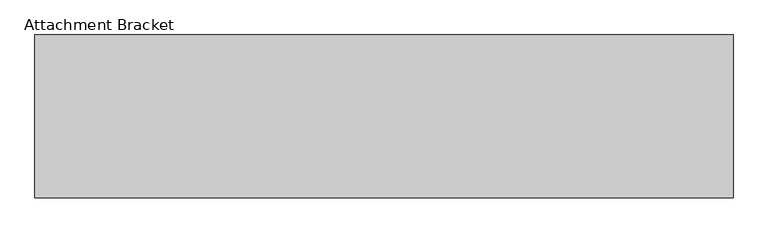
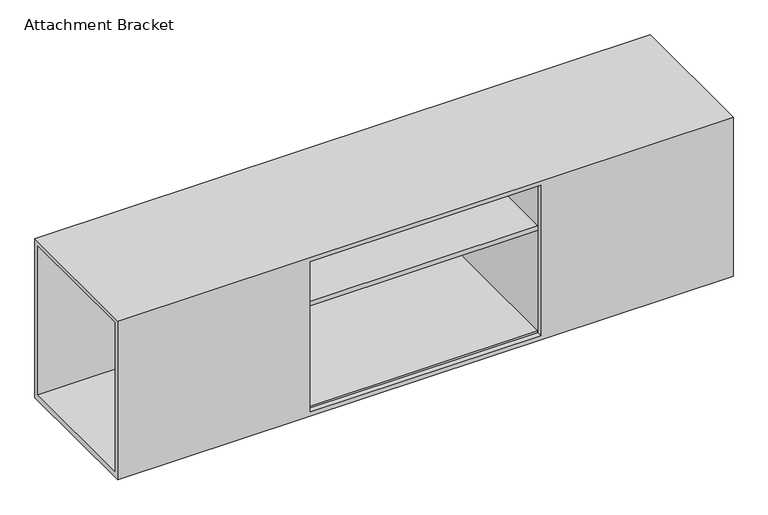
"""IFC4 building model written with IfcOpenShell, lengths in millimetres: furniture geometry, Attachment Bracket."""

from ifc_helpers import new_model, si_unit, frame, origin, place, context, project, spatial, polyline, circle_curve, outline, extrude, source, transform, mapped, element, save
from ifc_brep_helpers import plane_surface, revolved_surface, advanced_brep


def attachment_bracket_e48f39cd(model_context):
    return source(origin(), model_context, "Body", "SolidModel", [
        extrude(outline(polyline([(476.3715042, -13.081), (1047.75, -13.081), (1047.75, -340.1059845), (476.3715042, -340.1059845), (476.3715042, -13.081)])), frame((0.0, 0.0, 585.109162), z_axis=(0.0, 0.0, 1.0), x_axis=(1.0, 0.0, 0.0)), (0.0, 0.0, 1.0), 11.4807673),
        extrude(outline(polyline([(476.3715042, -13.081), (476.3715042, -340.1059845), (452.5217972, -340.1059845), (452.5217972, -13.081), (476.3715042, -13.081)])), frame((0.0, 0.0, 317.5), z_axis=(0.0, 0.0, 1.0), x_axis=(1.0, 0.0, 0.0)), (0.0, 0.0, 1.0), 393.3189671),
        extrude(outline(polyline([(1071.599707, -13.081), (1071.599707, -340.1059845), (1047.75, -340.1059845), (1047.75, -13.081), (1071.599707, -13.081)])), frame((0.0, 0.0, 317.5), z_axis=(0.0, 0.0, 1.0), x_axis=(1.0, 0.0, 0.0)), (0.0, 0.0, 1.0), 393.3189671),
        advanced_brep(
        [(1524.0, 2.4129826, 722.3860662), (0.0, 2.4129826, 722.3860662), (0.0, -353.1870174, 722.3860662), (1524.0, -353.1870174, 722.3860662), (1524.0, 2.4129826, 306.4508803), (1524.0, -353.1870174, 306.4508803), (0.0, -353.1870174, 306.4508803), (0.0, 2.4129826, 306.4508803), (782.4459185, 2.4129826, 647.2628104), (741.6414208, 2.4129826, 647.2628104), (0.0, -340.1059845, 710.8189671), (0.0, -340.1059845, 321.552397), (0.0, -10.7950174, 321.552397), (0.0, -10.7950174, 710.8189671), (476.3715042, -353.1870174, 710.8189671), (1047.75, -353.1870174, 710.8189671), (1047.75, -353.1870174, 317.5), (476.3715042, -353.1870174, 317.5), (1524.0, -340.1059845, 321.552397), (1524.0, -340.1059845, 710.8189671), (1524.0, -10.7950174, 710.8189671), (1524.0, -10.7950174, 321.552397), (476.3715042, -340.1059845, 317.5), (1047.75, -340.1059845, 317.5), (1047.75, -340.1059845, 321.552397), (476.3715042, -340.1059845, 321.552397), (476.3715042, -340.1059845, 710.8189671), (1047.75, -340.1059845, 710.8189671), (782.4459185, -10.7950174, 647.2628104), (741.6414208, -10.7950174, 647.2628104)],
        [
            (0, 1),
            (1, 2),
            (2, 3),
            (3, 0),
            (4, 5),
            (5, 6),
            (6, 7),
            (7, 4),
            (0, 4),
            (7, 1),
            (8, 9, circle_curve(frame((762.0436697, 2.4129826, 647.2628104), z_axis=(0.0, -1.0, 0.0), x_axis=(-1.0, 0.0, 0.0)), 20.4022489)),
            (9, 8, circle_curve(frame((762.0436697, 2.4129826, 647.2628104), z_axis=(0.0, -1.0, 0.0), x_axis=(-1.0, 0.0, 0.0)), 20.4022489)),
            (6, 2),
            (10, 11),
            (11, 12),
            (12, 13),
            (13, 10),
            (5, 3),
            (14, 15),
            (15, 16),
            (16, 17),
            (17, 14),
            (18, 19),
            (19, 20),
            (20, 21),
            (21, 18),
            (22, 23),
            (23, 24),
            (24, 25),
            (25, 22),
            (14, 26),
            (26, 10),
            (13, 20),
            (19, 27),
            (27, 15),
            (17, 22),
            (25, 26),
            (16, 23),
            (27, 24),
            (8, 28),
            (28, 29, circle_curve(frame((762.0436697, -10.7950174, 647.2628104), z_axis=(0.0, -1.0, 0.0), x_axis=(-1.0, 0.0, 0.0)), 20.4022489)),
            (29, 9),
            (29, 28, circle_curve(frame((762.0436697, -10.7950174, 647.2628104), z_axis=(0.0, -1.0, 0.0), x_axis=(-1.0, 0.0, 0.0)), 20.4022489)),
            (25, 11),
            (18, 24),
            (21, 12),
        ],
        [
            plane_surface(frame((0.0, 2.4129826, 722.3860662), z_axis=(0.0, 0.0, 1.0), x_axis=(-1.0, 0.0, 0.0))),
            plane_surface(frame((0.0, 2.4129826, 306.4508803), z_axis=(0.0, 0.0, -1.0), x_axis=(1.0, 0.0, 0.0))),
            plane_surface(frame((1524.0, 2.4129826, 722.3860662), z_axis=(0.0, 1.0, 0.0), x_axis=(0.0, 0.0, -1.0))),
            plane_surface(frame((0.0, 2.4129826, 722.3860662), z_axis=(-1.0, 0.0, 0.0), x_axis=(0.0, 0.0, -1.0))),
            plane_surface(frame((0.0, -353.1870174, 722.3860662), z_axis=(0.0, -1.0, 0.0), x_axis=(0.0, 0.0, -1.0))),
            plane_surface(frame((1524.0, -353.1870174, 722.3860662), z_axis=(1.0, 0.0, 0.0), x_axis=(0.0, 0.0, -1.0))),
            plane_surface(frame((481.9650036, -340.1059845, 710.8189671), z_axis=(0.0, -1.0, 0.0), x_axis=(1.0, 0.0, 0.0))),
            plane_surface(frame((1047.75, -353.1870174, 710.8189671), z_axis=(0.0, 0.0, -1.0), x_axis=(0.0, 1.0, 0.0))),
            plane_surface(frame((476.3715042, -353.1870174, 710.8189671), z_axis=(1.0, 0.0, 0.0), x_axis=(0.0, 1.0, 0.0))),
            plane_surface(frame((476.3715042, -353.1870174, 317.5), z_axis=(0.0, 0.0, 1.0), x_axis=(0.0, 1.0, 0.0))),
            plane_surface(frame((1047.75, -353.1870174, 317.5), z_axis=(-1.0, 0.0, 0.0), x_axis=(0.0, 1.0, 0.0))),
            revolved_surface(polyline([(741.6414208, -10.7950174, 647.2628104), (741.6414208, 2.4129826, 647.2628104)]), (762.0436697, 2.4129826, 647.2628104), (0.0, -1.0, 0.0)),
            plane_surface(frame((1524.0, -340.1059845, 710.8189671), z_axis=(0.0, 1.0, 0.0), x_axis=(-1.0, 0.0, 0.0))),
            plane_surface(frame((1524.0, -340.1059845, 321.552397), z_axis=(0.0, 0.0, 1.0), x_axis=(-1.0, 0.0, 0.0))),
            plane_surface(frame((1524.0, -10.7950174, 321.552397), z_axis=(0.0, -1.0, 0.0), x_axis=(-1.0, 0.0, 0.0))),
        ],
        [
            (0, [[1, 2, 3, 4]]),
            (1, [[5, 6, 7, 8]]),
            (2, [[-1, 9, -8, 10], [11, 12]]),
            (3, [[-2, -10, -7, 13], [14, 15, 16, 17]]),
            (4, [[-3, -13, -6, 18], [19, 20, 21, 22]]),
            (5, [[-4, -18, -5, -9], [23, 24, 25, 26]]),
            (6, [[27, 28, 29, 30]]),
            (7, [[31, 32, -17, 33, -24, 34, 35, -19]]),
            (8, [[-31, -22, 36, -30, 37]]),
            (9, [[-27, -36, -21, 38]]),
            (10, [[-35, 39, -28, -38, -20]]),
            (11, [[-11, 40, 41, 42]]),
            (11, [[-12, -42, 43, -40]]),
            (12, [[-32, -37, 44, -14]]),
            (12, [[-34, -23, 45, -39]]),
            (13, [[46, -15, -44, -29, -45, -26]]),
            (14, [[-46, -25, -33, -16], [-41, -43]]),
        ],
    ),
    ])


if __name__ == "__main__":
    model = new_model("IFC4")
    model_context = context("Model", 3, world=origin())
    ifc_project = project(units=[si_unit("LENGTHUNIT", "METRE", prefix="MILLI")], contexts=[model_context])
    site = spatial("IfcSite", under=ifc_project)
    building = spatial("IfcBuilding", under=site)
    placement = place(None, origin())
    attachment_bracket_shape = attachment_bracket_e48f39cd(model_context)
    element("IfcFurniture", 1, ObjectType="Attachment Bracket", at=placement, inside=building, context=model_context, shape_type="MappedRepresentation", body=[
        mapped(attachment_bracket_shape, transform((0.0, 0.0, 0.0), x_axis=(1.0, 0.0, 0.0), y_axis=(0.0, 1.0, 0.0), z_axis=(0.0, 0.0, 1.0))),
    ])
    save(model, "model.ifc")
